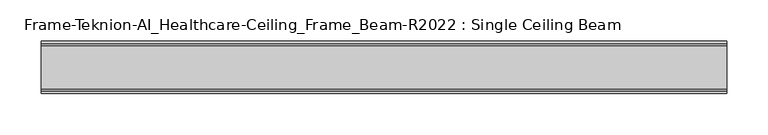
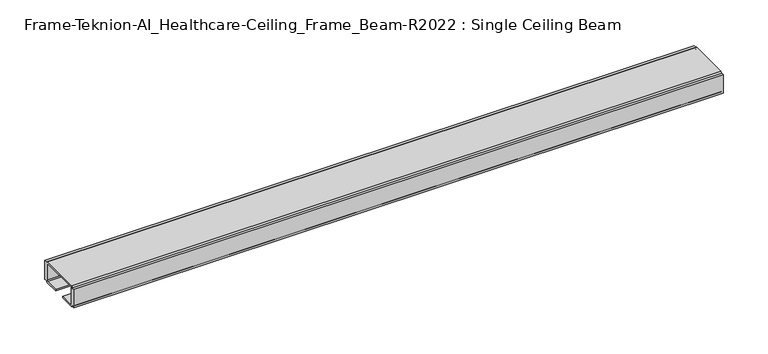
"""IFC4 building model written with IfcOpenShell, lengths in millimetres: furniture geometry, Frame-Teknion-AI_Healthcare-Ceiling_Frame_Beam-R2022 : Single Ceiling Beam."""

import ifcopenshell
import ifcopenshell.guid

model = None  # the IFC model being written
_history = None  # IfcOwnerHistory: only IFC2X3 demands one
_inside = {}  # id of a spatial element -> (the spatial element, [elements in it])
_under = {}  # id of a project, library or spatial element -> (it, [spatial elements below it])
_declared = {}  # id of a project -> (the project, [libraries it declares])
_typed = {}  # id of a type object -> (the type object, [elements of that type])
_made_of = {}  # id of a material, layer set ... -> (it, [elements and type objects made of it])


def new_model(schema):
    """Start an empty IFC model of exactly this schema.

    Asked for "IFC4X3", IfcOpenShell would pick the latest addendum, in which some entities
    have other attributes; the version numbers below select the first issue.
    IFC2X3 requires an IfcOwnerHistory on every rooted entity: one is made here for all.
    """
    global model, _history
    if schema == "IFC4X3":
        model = ifcopenshell.file(schema_version=(4, 3, 0, 0))
    else:
        model = ifcopenshell.file(schema=schema)
    _inside.clear()
    _under.clear()
    _declared.clear()
    _typed.clear()
    _made_of.clear()
    _history = None
    if model.schema == "IFC2X3":
        org = make("IfcOrganization", Name="unknown")
        user = make(
            "IfcPersonAndOrganization",
            ThePerson=make("IfcPerson", FamilyName="unknown"),
            TheOrganization=org,
        )
        app = make(
            "IfcApplication",
            ApplicationDeveloper=org,
            Version="unknown",
            ApplicationFullName="unknown",
            ApplicationIdentifier="unknown",
        )
        _history = make(
            "IfcOwnerHistory",
            OwningUser=user,
            OwningApplication=app,
            ChangeAction="ADDED",
            CreationDate=0,
        )
    return model


def make(cls, **values):
    """One entity of the class cls with the attributes given. An attribute that is None is left unset."""
    return model.create_entity(
        cls, **{name: value for name, value in values.items() if value is not None}
    )


def rooted(cls, **values):
    """An entity with a GlobalId (a new one), such as an element, a storey or a relation."""
    return make(cls, GlobalId=ifcopenshell.guid.new(), OwnerHistory=_history, **values)


def si_unit(unit_type, name, prefix=None):
    """IfcSIUnit, for example si_unit("LENGTHUNIT", "METRE", prefix="MILLI")."""
    return make("IfcSIUnit", UnitType=unit_type, Prefix=prefix, Name=name)


def assignment(units):
    """IfcUnitAssignment: the units of a project."""
    return None if units is None else make("IfcUnitAssignment", Units=units)


def point(xyz):
    """IfcCartesianPoint."""
    return None if xyz is None else make("IfcCartesianPoint", Coordinates=xyz)


def direction(xyz):
    """IfcDirection."""
    return None if xyz is None else make("IfcDirection", DirectionRatios=xyz)


def frame(location, z_axis=None, x_axis=None):
    """IfcAxis2Placement3D, a coordinate frame: its origin and axes. An axis left out is left unset."""
    return make(
        "IfcAxis2Placement3D",
        Location=point(location),
        Axis=direction(z_axis),
        RefDirection=direction(x_axis),
    )


def frame_2d(location, x_axis=None):
    """IfcAxis2Placement2D, a coordinate frame in the plane: its origin and x axis."""
    return make(
        "IfcAxis2Placement2D", Location=point(location), RefDirection=direction(x_axis)
    )


def origin():
    """The frame at (0, 0, 0) with its axes left unset."""
    return frame((0.0, 0.0, 0.0))


def place(relative_to, where):
    """IfcLocalPlacement: puts the frame where relative to a parent placement (None: the world)."""
    return make(
        "IfcLocalPlacement", PlacementRelTo=relative_to, RelativePlacement=where
    )


def context(
    kind, dimensions, precision=None, world=None, true_north=None, identifier=None
):
    """IfcGeometricRepresentationContext, for example the 3D "Model" context."""
    return make(
        "IfcGeometricRepresentationContext",
        ContextIdentifier=identifier,
        ContextType=kind,
        CoordinateSpaceDimension=dimensions,
        Precision=precision,
        WorldCoordinateSystem=world,
        TrueNorth=true_north,
    )


def project(units=None, contexts=None):
    """IfcProject with its units and contexts."""
    return rooted(
        "IfcProject",
        Name="project",
        RepresentationContexts=contexts,
        UnitsInContext=assignment(units),
    )


def spatial(cls, under=None, at=None, **own):
    """A site, building, storey or space (cls), placed at a placement, below another one or the project."""
    s = rooted(cls, ObjectPlacement=at, **own)
    if under is not None:
        _under.setdefault(under.id(), (under, []))[1].append(s)
    return s


def polyline(points):
    """IfcPolyline through the points."""
    return make("IfcPolyline", Points=[point(p) for p in points])


def circle_curve(where, radius):
    """IfcCircle in the frame where."""
    return make("IfcCircle", Position=where, Radius=radius)


def trimmed(basis, trim1, trim2, sense, master):
    """IfcTrimmedCurve: the piece of a basis curve between two trims."""
    return make(
        "IfcTrimmedCurve",
        BasisCurve=basis,
        Trim1=trim1,
        Trim2=trim2,
        SenseAgreement=sense,
        MasterRepresentation=master,
    )


def segment(curve, same_sense, transition):
    """IfcCompositeCurveSegment."""
    return make(
        "IfcCompositeCurveSegment",
        Transition=transition,
        SameSense=same_sense,
        ParentCurve=curve,
    )


def composite_curve(segments, self_intersect=None):
    """IfcCompositeCurve: segments joined end to end."""
    return make("IfcCompositeCurve", Segments=segments, SelfIntersect=self_intersect)


def outline(outer, holes=None, kind="AREA"):
    """IfcArbitraryClosedProfileDef: a profile drawn as a closed curve; with holes, ...WithVoids."""
    if holes is None:
        return make("IfcArbitraryClosedProfileDef", ProfileType=kind, OuterCurve=outer)
    return make(
        "IfcArbitraryProfileDefWithVoids",
        ProfileType=kind,
        OuterCurve=outer,
        InnerCurves=holes,
    )


def extrude(swept, where, along, depth):
    """IfcExtrudedAreaSolid: the profile swept, set in the frame where, extruded along a direction by depth."""
    return make(
        "IfcExtrudedAreaSolid",
        SweptArea=swept,
        Position=where,
        ExtrudedDirection=direction(along),
        Depth=depth,
    )


def shape(context_of_items, identifier, shape_type, items):
    """IfcShapeRepresentation: the items that make up one representation, for example the "Body"."""
    return make(
        "IfcShapeRepresentation",
        ContextOfItems=context_of_items,
        RepresentationIdentifier=identifier,
        RepresentationType=shape_type,
        Items=items,
    )


def source(mapping_origin, context_of_items, identifier, shape_type, items):
    """IfcRepresentationMap: a shape defined once, which mapped items show again and again."""
    return make(
        "IfcRepresentationMap",
        MappingOrigin=mapping_origin,
        MappedRepresentation=shape(context_of_items, identifier, shape_type, items),
    )


def transform(
    local_origin,
    x_axis=None,
    y_axis=None,
    z_axis=None,
    scale=None,
    scale2=None,
    scale3=None,
    uniform=True,
):
    """IfcCartesianTransformationOperator3D, or its non-uniform kind. x_axis, y_axis, z_axis: its Axis1, 2, 3."""
    if uniform:
        return make(
            "IfcCartesianTransformationOperator3D",
            Axis1=direction(x_axis),
            Axis2=direction(y_axis),
            LocalOrigin=point(local_origin),
            Scale=scale,
            Axis3=direction(z_axis),
        )
    return make(
        "IfcCartesianTransformationOperator3DnonUniform",
        Axis1=direction(x_axis),
        Axis2=direction(y_axis),
        LocalOrigin=point(local_origin),
        Scale=scale,
        Axis3=direction(z_axis),
        Scale2=scale2,
        Scale3=scale3,
    )


def mapped(mapping_source, mapping_target):
    """IfcMappedItem: shows the shape of a source again, moved by a transform."""
    return make(
        "IfcMappedItem", MappingSource=mapping_source, MappingTarget=mapping_target
    )


def made_of(thing, what):
    """Note that an element or type object is made of a material, layer set ...; save() writes the relation."""
    if what is not None:
        _made_of.setdefault(what.id(), (what, []))[1].append(thing)
    return thing


def element(
    cls,
    number,
    at=None,
    inside=None,
    cuts=None,
    type_object=None,
    material=None,
    context=None,
    identifier="Body",
    shape_type=None,
    held_by="IfcProductDefinitionShape",
    body=None,
    shapes=None,
    **own,
):
    """One element of the class cls, such as IfcWall. Its Tag is "e" and its number.

    at: its placement. inside: the storey or other place that contains it. cuts: it is an
    opening in that element (IfcRelVoidsElement). A single representation is given by context,
    identifier, shape_type and body (its items); several are given by shapes. held_by: the class
    of the entity that holds the representations. save() writes the other relations.
    """
    e = rooted(cls, Tag="e%d" % number, ObjectPlacement=at, **own)
    if body is not None:
        shapes = [shape(context, identifier, shape_type, body)]
    if shapes is not None:
        e.Representation = make(held_by, Representations=shapes)
    if inside is not None:
        _inside.setdefault(inside.id(), (inside, []))[1].append(e)
    if cuts is not None:
        rooted(
            "IfcRelVoidsElement", RelatingBuildingElement=cuts, RelatedOpeningElement=e
        )
    if type_object is not None:
        _typed.setdefault(type_object.id(), (type_object, []))[1].append(e)
    return made_of(e, material)


def aggregate(whole, parts):
    """IfcRelAggregates: a whole, such as a stair, and the parts it consists of."""
    return rooted("IfcRelAggregates", RelatingObject=whole, RelatedObjects=parts)


def save(model, path):
    """Write the relations noted so far, then the file.

    IfcRelAggregates (storeys below a building ...), IfcRelContainedInSpatialStructure (elements
    in a storey), IfcRelDefinesByType, IfcRelAssociatesMaterial and IfcRelDeclares: one each for
    every whole, place, type object, material and project.
    """
    for whole, parts in _under.values():
        aggregate(whole, parts)
    for where, things in _inside.values():
        rooted(
            "IfcRelContainedInSpatialStructure",
            RelatedElements=things,
            RelatingStructure=where,
        )
    for kind, things in _typed.values():
        rooted("IfcRelDefinesByType", RelatedObjects=things, RelatingType=kind)
    for what, things in _made_of.values():
        rooted("IfcRelAssociatesMaterial", RelatedObjects=things, RelatingMaterial=what)
    for by, libraries in _declared.values():
        rooted("IfcRelDeclares", RelatingContext=by, RelatedDefinitions=libraries)
    model.write(path)


def frame_teknion_ai_healthcare_ceiling_frame_beam_r2022_single_d594a0e1(model_context):
    return source(origin(), model_context, "Body", "SweptSolid", [
        extrude(outline(composite_curve([segment(polyline([(-32.174996, 1573.5046), (-32.174996, 1598.9045998), (-28.999999, 1598.9045998), (-28.999999, 1597.787)]), True, "CONTINUOUS"), segment(trimmed(circle_curve(frame_2d((-26.5869991, 1597.787)), 2.413), [point((-28.999999, 1597.787))], [point((-26.5869991, 1600.2))], False, "CARTESIAN"), True, "CONTINUOUS"), segment(polyline([(-26.5869991, 1600.2), (26.5869991, 1600.2)]), True, "CONTINUOUS"), segment(trimmed(circle_curve(frame_2d((26.5869991, 1597.787)), 2.413), [point((26.5869991, 1600.2))], [point((28.999999, 1597.787))], False, "CARTESIAN"), True, "CONTINUOUS"), segment(polyline([(28.999999, 1597.787), (28.999999, 1598.9045998), (32.174996, 1598.9045998), (32.174996, 1573.5046), (28.999999, 1573.5046), (28.999999, 1574.6129989)]), True, "CONTINUOUS"), segment(trimmed(circle_curve(frame_2d((26.5869991, 1574.6129989)), 2.413), [point((28.999999, 1574.6129989))], [point((26.5869991, 1572.199999))], False, "CARTESIAN"), True, "CONTINUOUS"), segment(polyline([(26.5869991, 1572.199999), (7.9374947, 1572.199999), (7.9374947, 1574.4859991), (25.4440002, 1574.4859991)]), True, "CONTINUOUS"), segment(trimmed(circle_curve(frame_2d((25.4440002, 1576.0099999)), 1.5240008), [point((25.4440002, 1574.4859991))], [point((26.968001, 1576.0099999))], True, "CARTESIAN"), True, "CONTINUOUS"), segment(polyline([(26.968001, 1576.0099999), (26.968001, 1597.1520009)]), True, "CONTINUOUS"), segment(trimmed(circle_curve(frame_2d((25.9520019, 1597.1520009)), 1.015999), [point((26.968001, 1597.1520009))], [point((25.9520019, 1598.168))], True, "CARTESIAN"), True, "CONTINUOUS"), segment(polyline([(25.9520019, 1598.168), (-25.9520019, 1598.168)]), True, "CONTINUOUS"), segment(trimmed(circle_curve(frame_2d((-25.9520019, 1597.1520009)), 1.015999), [point((-25.9520019, 1598.168))], [point((-26.968001, 1597.1520009))], True, "CARTESIAN"), True, "CONTINUOUS"), segment(polyline([(-26.968001, 1597.1520009), (-26.968001, 1576.0099999)]), True, "CONTINUOUS"), segment(trimmed(circle_curve(frame_2d((-25.4440002, 1576.0099999)), 1.5240008), [point((-26.968001, 1576.0099999))], [point((-25.4440002, 1574.4859991))], True, "CARTESIAN"), True, "CONTINUOUS"), segment(polyline([(-25.4440002, 1574.4859991), (-7.9374947, 1574.4859991), (-7.9374947, 1572.199999), (-26.5869991, 1572.199999)]), True, "CONTINUOUS"), segment(trimmed(circle_curve(frame_2d((-26.5869991, 1574.6129989)), 2.413), [point((-26.5869991, 1572.199999))], [point((-28.999999, 1574.6129989))], False, "CARTESIAN"), True, "CONTINUOUS"), segment(polyline([(-28.999999, 1574.6129989), (-28.999999, 1573.5046), (-32.174996, 1573.5046)]), True, "CONTINUOUS")], self_intersect=False)), frame((-417.2204, 0.0, 0.0), z_axis=(1.0, 0.0, 0.0), x_axis=(0.0, 1.0, 0.0)), (0.0, 0.0, 1.0), 834.4408),
    ])


if __name__ == "__main__":
    model = new_model("IFC4")
    model_context = context("Model", 3, world=origin())
    ifc_project = project(units=[si_unit("LENGTHUNIT", "METRE", prefix="MILLI")], contexts=[model_context])
    site = spatial("IfcSite", under=ifc_project)
    building = spatial("IfcBuilding", under=site)
    placement = place(None, origin())
    frame_teknion_ai_healthcare_ceiling_frame_beam_r2022_single_shape = frame_teknion_ai_healthcare_ceiling_frame_beam_r2022_single_d594a0e1(model_context)
    element("IfcFurniture", 1, ObjectType="Frame-Teknion-AI_Healthcare-Ceiling_Frame_Beam-R2022 : Single Ceiling Beam", at=placement, inside=building, context=model_context, shape_type="MappedRepresentation", body=[
        mapped(frame_teknion_ai_healthcare_ceiling_frame_beam_r2022_single_shape, transform((0.0, 0.0, 0.0), x_axis=(1.0, 0.0, 0.0), y_axis=(0.0, 1.0, 0.0), z_axis=(0.0, 0.0, 1.0))),
    ])
    save(model, "model.ifc")
